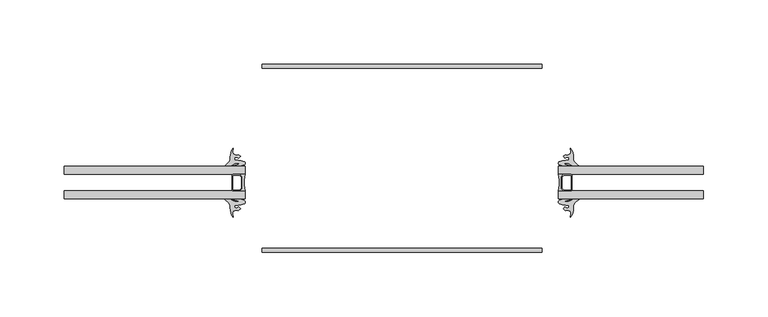
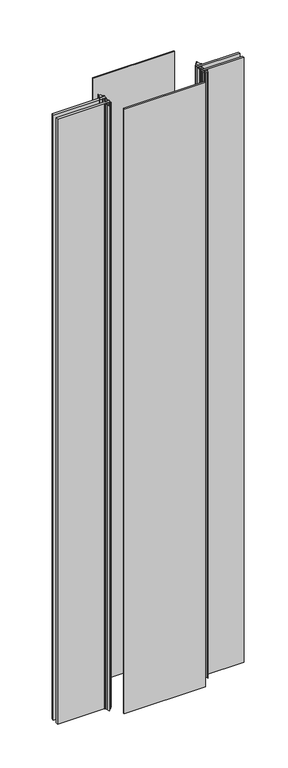
"""IFC4 building model written with IfcOpenShell, lengths in millimetres: plate geometry."""

from ifc_helpers import new_model, si_unit, point, frame_2d, origin, origin_with_axes, place, context, project, spatial, polyline, circle_curve, trimmed, segment, composite_curve, outline, extrude, source, transform, mapped, element, save


def plate_9c6e39cc(model_context):
    return source(origin(), model_context, "Body", "SweptSolid", [
        extrude(outline(polyline([(109.2049381, 101.9458133), (-109.2049381, 101.9458133), (-109.2049381, 105.1208133), (109.2049381, 105.1208133), (109.2049381, 101.9458133)])), origin_with_axes(), (0.0, 0.0, 1.0), 1710.2666667),
        extrude(outline(polyline([(109.2049381, -41.6149867), (-109.2049381, -41.6149867), (-109.2049381, -38.4399867), (109.2049381, -38.4399867), (109.2049381, -41.6149867)])), origin_with_axes(), (0.0, 0.0, 1.0), 1710.2666667),
        extrude(outline(composite_curve([segment(polyline([(131.7625, 6.35), (126.20625, 6.35), (124.61875, 7.9375), (124.61875, 17.4625), (126.20625, 19.05), (131.7625, 19.05)]), True, "CONTINUOUS"), segment(trimmed(circle_curve(frame_2d((131.7625, 18.25625)), 0.79375), [point((131.7625, 19.05))], [point((132.55625, 18.25625))], False, "CARTESIAN"), True, "CONTINUOUS"), segment(polyline([(132.55625, 18.25625), (132.55625, 7.14375)]), True, "CONTINUOUS"), segment(trimmed(circle_curve(frame_2d((131.7625, 7.14375)), 0.79375), [point((132.55625, 7.14375))], [point((131.7625, 6.35))], False, "CARTESIAN"), True, "CONTINUOUS")], self_intersect=False), holes=[polyline([(131.7625, 18.25625), (126.535032, 18.25625), (125.4125, 17.133718), (125.4125, 8.266282), (126.535032, 7.14375), (131.7625, 7.14375), (131.7625, 18.25625)])]), origin_with_axes(), (0.0, 0.0, 1.0), 1710.2666667),
        extrude(outline(composite_curve([segment(trimmed(circle_curve(frame_2d((97.234375, 12.7)), 25.796875), [point((122.2375, 6.35))], [point((122.2375, 19.05))], True, "CARTESIAN"), True, "CONTINUOUS"), segment(polyline([(122.2375, 19.05), (126.20625, 19.05), (124.61875, 17.4625), (124.61875, 7.9375), (126.20625, 6.35), (122.2375, 6.35)]), True, "CONTINUOUS")], self_intersect=False)), origin_with_axes(), (0.0, 0.0, 1.0), 1710.2666667),
        extrude(outline(composite_curve([segment(polyline([(-122.2375, 6.35), (-126.20625, 6.35), (-124.61875, 7.9375), (-124.61875, 17.4625), (-126.20625, 19.05), (-122.2375, 19.05)]), True, "CONTINUOUS"), segment(trimmed(circle_curve(frame_2d((-97.234375, 12.7)), 25.796875), [point((-122.2375, 19.05))], [point((-122.2375, 6.35))], True, "CARTESIAN"), True, "CONTINUOUS")], self_intersect=False)), origin_with_axes(), (0.0, 0.0, 1.0), 1710.2666667),
        extrude(outline(composite_curve([segment(trimmed(circle_curve(frame_2d((-131.7625, 7.14375)), 0.79375), [point((-131.7625, 6.35))], [point((-132.55625, 7.14375))], False, "CARTESIAN"), True, "CONTINUOUS"), segment(polyline([(-132.55625, 7.14375), (-132.55625, 18.25625)]), True, "CONTINUOUS"), segment(trimmed(circle_curve(frame_2d((-131.7625, 18.25625)), 0.79375), [point((-132.55625, 18.25625))], [point((-131.7625, 19.05))], False, "CARTESIAN"), True, "CONTINUOUS"), segment(polyline([(-131.7625, 19.05), (-126.20625, 19.05), (-124.61875, 17.4625), (-124.61875, 7.9375), (-126.20625, 6.35), (-131.7625, 6.35)]), True, "CONTINUOUS")], self_intersect=False), holes=[polyline([(-131.7625, 18.25625), (-131.7625, 7.14375), (-126.535032, 7.14375), (-125.4125, 8.266282), (-125.4125, 17.133718), (-126.535032, 18.25625), (-131.7625, 18.25625)])]), origin_with_axes(), (0.0, 0.0, 1.0), 1710.2666667),
        extrude(outline(polyline([(235.362229, 0.0), (122.2375, 0.0), (122.2375, 6.35), (235.362229, 6.35), (235.362229, 0.0)])), origin_with_axes(), (0.0, 0.0, 1.0), 1710.2666667),
        extrude(outline(polyline([(235.362229, 19.05), (122.2375, 19.05), (122.2375, 25.4), (235.362229, 25.4), (235.362229, 19.05)])), origin_with_axes(), (0.0, 0.0, 1.0), 1710.2666667),
        extrude(outline(polyline([(-263.5220845, 0.0), (-263.5220845, 6.35), (-122.2375, 6.35), (-122.2375, 0.0), (-263.5220845, 0.0)])), origin_with_axes(), (0.0, 0.0, 1.0), 1710.2666667),
        extrude(outline(polyline([(-263.5220845, 19.05), (-263.5220845, 25.4), (-122.2375, 25.4), (-122.2375, 19.05), (-263.5220845, 19.05)])), origin_with_axes(), (0.0, 0.0, 1.0), 1710.2666667),
        extrude(outline(composite_curve([segment(trimmed(circle_curve(frame_2d((123.5643814, -2.4247646)), 1.3941395), [point((123.0689272, -3.7278955))], [point((123.0689272, -1.1216337))], False, "CARTESIAN"), True, "CONTINUOUS"), segment(trimmed(circle_curve(frame_2d((129.6437303, -19.1604612)), 19.1996701), [point((123.0689272, -1.1216337))], [point((127.8597801, -0.0438492))], False, "CARTESIAN"), True, "CONTINUOUS"), segment(polyline([(127.8597801, -0.0438492), (131.2696189, -0.0438492)]), True, "CONTINUOUS"), segment(trimmed(circle_curve(frame_2d((131.258002, -0.3663344)), 0.3226944), [point((131.2696189, -0.0438492))], [point((131.3219792, -0.6826233))], False, "CARTESIAN"), True, "CONTINUOUS"), segment(polyline([(131.3219792, -0.6826233), (127.2255779, -1.7756258)]), True, "CONTINUOUS"), segment(trimmed(circle_curve(frame_2d((127.2638489, -2.046148)), 0.2732159), [point((127.2255779, -1.7756258))], [point((127.3021198, -2.3166702))], True, "CARTESIAN"), True, "CONTINUOUS"), segment(polyline([(127.3021198, -2.3166702), (130.3956877, -1.8790209)]), True, "CONTINUOUS"), segment(trimmed(circle_curve(frame_2d((127.2937975, 9.5589953)), 11.8511576), [point((130.3956877, -1.8790209))], [point((131.7135068, -1.4371907))], True, "CARTESIAN"), True, "CONTINUOUS"), segment(polyline([(131.7135068, -1.4371907), (133.2356216, -0.4592097)]), True, "CONTINUOUS"), segment(trimmed(circle_curve(frame_2d((134.4679253, -2.0666139)), 2.0254186), [point((133.2356216, -0.4592097))], [point((134.3642746, -0.0438492))], False, "CARTESIAN"), True, "CONTINUOUS"), segment(polyline([(134.3642746, -0.0438492), (137.6468927, -0.0037239)]), True, "CONTINUOUS"), segment(trimmed(circle_curve(frame_2d((137.6468927, -0.4005989)), 0.396875), [point((137.6468927, -0.0037239))], [point((137.9451228, -0.6624549))], False, "CARTESIAN"), True, "CONTINUOUS"), segment(polyline([(137.9451228, -0.6624549), (135.1272311, -3.0895597)]), True, "CONTINUOUS"), segment(trimmed(circle_curve(frame_2d((138.5890705, -6.3651424)), 4.765897), [point((135.1272311, -3.0895597))], [point((133.8643975, -6.990633))], True, "CARTESIAN"), True, "CONTINUOUS"), segment(trimmed(circle_curve(frame_2d((121.6738601, -7.3645635)), 12.196271), [point((133.8643975, -6.990633))], [point((131.7173454, -14.2839153))], False, "CARTESIAN"), True, "CONTINUOUS"), segment(polyline([(131.7173454, -14.2839153), (131.8382217, -11.2204206), (131.7144145, -9.6723757), (129.1104237, -8.8435897), (127.6287764, -9.2389232), (125.9573789, -7.8147218), (127.3192583, -6.2666768), (128.9287521, -7.1955038), (130.2906315, -6.6382077), (130.2906315, -4.7752), (127.8597801, -4.7752)]), True, "CONTINUOUS"), segment(trimmed(circle_curve(frame_2d((129.1673751, 12.6877766)), 17.5118633), [point((127.8597801, -4.7752))], [point((123.0689272, -3.7278955))], False, "CARTESIAN"), True, "CONTINUOUS")], self_intersect=False)), origin_with_axes(), (0.0, 0.0, 1.0), 1710.2666667),
        extrude(outline(composite_curve([segment(trimmed(circle_curve(frame_2d((129.1673751, 12.685353)), 17.5118633), [point((123.0689272, 29.1010251))], [point((127.8597801, 30.1483296))], False, "CARTESIAN"), True, "CONTINUOUS"), segment(polyline([(127.8597801, 30.1483296), (130.2906315, 30.1483296), (130.2906315, 32.0113373), (128.9287521, 32.5686335), (127.3192583, 31.6398065), (125.9573789, 33.1878514), (127.6287764, 34.6120528), (129.1104237, 34.2167194), (131.7144145, 35.0455053), (131.8382217, 36.5935503), (131.7173454, 39.657045)]), True, "CONTINUOUS"), segment(trimmed(circle_curve(frame_2d((121.6738601, 32.7376931)), 12.196271), [point((131.7173454, 39.657045))], [point((133.8643975, 32.3637626))], False, "CARTESIAN"), True, "CONTINUOUS"), segment(trimmed(circle_curve(frame_2d((138.5890705, 31.738272)), 4.765897), [point((133.8643975, 32.3637626))], [point((135.1272311, 28.4626894))], True, "CARTESIAN"), True, "CONTINUOUS"), segment(polyline([(135.1272311, 28.4626894), (137.9451228, 26.0355845)]), True, "CONTINUOUS"), segment(trimmed(circle_curve(frame_2d((137.6468927, 25.7737285)), 0.396875), [point((137.9451228, 26.0355845))], [point((137.6468927, 25.3768535))], False, "CARTESIAN"), True, "CONTINUOUS"), segment(polyline([(137.6468927, 25.3768535), (134.3642746, 25.4169788)]), True, "CONTINUOUS"), segment(trimmed(circle_curve(frame_2d((134.4679253, 27.4397435)), 2.0254186), [point((134.3642746, 25.4169788))], [point((133.2356216, 25.8323393))], False, "CARTESIAN"), True, "CONTINUOUS"), segment(polyline([(133.2356216, 25.8323393), (131.7135068, 26.8103203)]), True, "CONTINUOUS"), segment(trimmed(circle_curve(frame_2d((127.2937975, 15.8141343)), 11.8511576), [point((131.7135068, 26.8103203))], [point((130.3956877, 27.2521505))], True, "CARTESIAN"), True, "CONTINUOUS"), segment(polyline([(130.3956877, 27.2521505), (127.3021198, 27.6897999)]), True, "CONTINUOUS"), segment(trimmed(circle_curve(frame_2d((127.2638489, 27.4192777)), 0.2732159), [point((127.3021198, 27.6897999))], [point((127.2255779, 27.1487555))], True, "CARTESIAN"), True, "CONTINUOUS"), segment(polyline([(127.2255779, 27.1487555), (131.3219792, 26.0557529)]), True, "CONTINUOUS"), segment(trimmed(circle_curve(frame_2d((131.258002, 25.7394641)), 0.3226944), [point((131.3219792, 26.0557529))], [point((131.2696189, 25.4169788))], False, "CARTESIAN"), True, "CONTINUOUS"), segment(polyline([(131.2696189, 25.4169788), (127.8597801, 25.4169788)]), True, "CONTINUOUS"), segment(trimmed(circle_curve(frame_2d((129.6437303, 44.5335908)), 19.1996701), [point((127.8597801, 25.4169788))], [point((123.0689272, 26.4947633))], False, "CARTESIAN"), True, "CONTINUOUS"), segment(trimmed(circle_curve(frame_2d((123.5643814, 27.7978942)), 1.3941395), [point((123.0689272, 26.4947633))], [point((123.0689272, 29.1010251))], False, "CARTESIAN"), True, "CONTINUOUS")], self_intersect=False)), origin_with_axes(), (0.0, 0.0, 1.0), 1710.2666667),
        extrude(outline(composite_curve([segment(trimmed(circle_curve(frame_2d((-129.1673751, 12.6877766)), 17.5118633), [point((-123.0689272, -3.7278955))], [point((-127.8597801, -4.7752))], False, "CARTESIAN"), True, "CONTINUOUS"), segment(polyline([(-127.8597801, -4.7752), (-130.2906315, -4.7752), (-130.2906315, -6.6382077), (-128.9287521, -7.1955038), (-127.3192583, -6.2666768), (-125.9573789, -7.8147218), (-127.6287764, -9.2389232), (-129.1104237, -8.8435897), (-131.7144145, -9.6723757), (-131.8382217, -11.2204206), (-131.7173454, -14.2839153)]), True, "CONTINUOUS"), segment(trimmed(circle_curve(frame_2d((-121.6738601, -7.3645635)), 12.196271), [point((-131.7173454, -14.2839153))], [point((-133.8643975, -6.990633))], False, "CARTESIAN"), True, "CONTINUOUS"), segment(trimmed(circle_curve(frame_2d((-138.5890705, -6.3651424)), 4.765897), [point((-133.8643975, -6.990633))], [point((-135.1272311, -3.0895597))], True, "CARTESIAN"), True, "CONTINUOUS"), segment(polyline([(-135.1272311, -3.0895597), (-137.9451228, -0.6624549)]), True, "CONTINUOUS"), segment(trimmed(circle_curve(frame_2d((-137.6468927, -0.4005989)), 0.396875), [point((-137.9451228, -0.6624549))], [point((-137.6468927, -0.0037239))], False, "CARTESIAN"), True, "CONTINUOUS"), segment(polyline([(-137.6468927, -0.0037239), (-134.3642746, -0.0438492)]), True, "CONTINUOUS"), segment(trimmed(circle_curve(frame_2d((-134.4679253, -2.0666139)), 2.0254186), [point((-134.3642746, -0.0438492))], [point((-133.2356216, -0.4592097))], False, "CARTESIAN"), True, "CONTINUOUS"), segment(polyline([(-133.2356216, -0.4592097), (-131.7135068, -1.4371907)]), True, "CONTINUOUS"), segment(trimmed(circle_curve(frame_2d((-127.2937975, 9.5589953)), 11.8511576), [point((-131.7135068, -1.4371907))], [point((-130.3956877, -1.8790209))], True, "CARTESIAN"), True, "CONTINUOUS"), segment(polyline([(-130.3956877, -1.8790209), (-127.3021198, -2.3166702)]), True, "CONTINUOUS"), segment(trimmed(circle_curve(frame_2d((-127.2638489, -2.046148)), 0.2732159), [point((-127.3021198, -2.3166702))], [point((-127.2255779, -1.7756258))], True, "CARTESIAN"), True, "CONTINUOUS"), segment(polyline([(-127.2255779, -1.7756258), (-131.3219792, -0.6826233)]), True, "CONTINUOUS"), segment(trimmed(circle_curve(frame_2d((-131.258002, -0.3663344)), 0.3226944), [point((-131.3219792, -0.6826233))], [point((-131.2696189, -0.0438492))], False, "CARTESIAN"), True, "CONTINUOUS"), segment(polyline([(-131.2696189, -0.0438492), (-127.8597801, -0.0438492)]), True, "CONTINUOUS"), segment(trimmed(circle_curve(frame_2d((-129.6437303, -19.1604612)), 19.1996701), [point((-127.8597801, -0.0438492))], [point((-123.0689272, -1.1216337))], False, "CARTESIAN"), True, "CONTINUOUS"), segment(trimmed(circle_curve(frame_2d((-123.5643814, -2.4247646)), 1.3941395), [point((-123.0689272, -1.1216337))], [point((-123.0689272, -3.7278955))], False, "CARTESIAN"), True, "CONTINUOUS")], self_intersect=False)), origin_with_axes(), (0.0, 0.0, 1.0), 1710.2666667),
        extrude(outline(composite_curve([segment(trimmed(circle_curve(frame_2d((-123.5643814, 27.7978942)), 1.3941395), [point((-123.0689272, 29.1010251))], [point((-123.0689272, 26.4947633))], False, "CARTESIAN"), True, "CONTINUOUS"), segment(trimmed(circle_curve(frame_2d((-129.6437303, 44.5335908)), 19.1996701), [point((-123.0689272, 26.4947633))], [point((-127.8597801, 25.4169788))], False, "CARTESIAN"), True, "CONTINUOUS"), segment(polyline([(-127.8597801, 25.4169788), (-131.2696189, 25.4169788)]), True, "CONTINUOUS"), segment(trimmed(circle_curve(frame_2d((-131.258002, 25.7394641)), 0.3226944), [point((-131.2696189, 25.4169788))], [point((-131.3219792, 26.0557529))], False, "CARTESIAN"), True, "CONTINUOUS"), segment(polyline([(-131.3219792, 26.0557529), (-127.2255779, 27.1487555)]), True, "CONTINUOUS"), segment(trimmed(circle_curve(frame_2d((-127.2638489, 27.4192777)), 0.2732159), [point((-127.2255779, 27.1487555))], [point((-127.3021198, 27.6897999))], True, "CARTESIAN"), True, "CONTINUOUS"), segment(polyline([(-127.3021198, 27.6897999), (-130.3956877, 27.2521505)]), True, "CONTINUOUS"), segment(trimmed(circle_curve(frame_2d((-127.2937975, 15.8141343)), 11.8511576), [point((-130.3956877, 27.2521505))], [point((-131.7135068, 26.8103203))], True, "CARTESIAN"), True, "CONTINUOUS"), segment(polyline([(-131.7135068, 26.8103203), (-133.2356216, 25.8323393)]), True, "CONTINUOUS"), segment(trimmed(circle_curve(frame_2d((-134.4679253, 27.4397435)), 2.0254186), [point((-133.2356216, 25.8323393))], [point((-134.3642746, 25.4169788))], False, "CARTESIAN"), True, "CONTINUOUS"), segment(polyline([(-134.3642746, 25.4169788), (-137.6468927, 25.3768535)]), True, "CONTINUOUS"), segment(trimmed(circle_curve(frame_2d((-137.6468927, 25.7737285)), 0.396875), [point((-137.6468927, 25.3768535))], [point((-137.9451228, 26.0355845))], False, "CARTESIAN"), True, "CONTINUOUS"), segment(polyline([(-137.9451228, 26.0355845), (-135.1272311, 28.4626894)]), True, "CONTINUOUS"), segment(trimmed(circle_curve(frame_2d((-138.5890705, 31.738272)), 4.765897), [point((-135.1272311, 28.4626894))], [point((-133.8643975, 32.3637626))], True, "CARTESIAN"), True, "CONTINUOUS"), segment(trimmed(circle_curve(frame_2d((-121.6738601, 32.7376931)), 12.196271), [point((-133.8643975, 32.3637626))], [point((-131.7173454, 39.657045))], False, "CARTESIAN"), True, "CONTINUOUS"), segment(polyline([(-131.7173454, 39.657045), (-131.8382217, 36.5935503), (-131.7144145, 35.0455053), (-129.1104237, 34.2167194), (-127.6287764, 34.6120528), (-125.9573789, 33.1878514), (-127.3192583, 31.6398065), (-128.9287521, 32.5686335), (-130.2906315, 32.0113373), (-130.2906315, 30.1483296), (-127.8597801, 30.1483296)]), True, "CONTINUOUS"), segment(trimmed(circle_curve(frame_2d((-129.1673751, 12.685353)), 17.5118633), [point((-127.8597801, 30.1483296))], [point((-123.0689272, 29.1010251))], False, "CARTESIAN"), True, "CONTINUOUS")], self_intersect=False)), origin_with_axes(), (0.0, 0.0, 1.0), 1710.2666667),
    ])


if __name__ == "__main__":
    model = new_model("IFC4")
    model_context = context("Model", 3, world=origin())
    ifc_project = project(units=[si_unit("LENGTHUNIT", "METRE", prefix="MILLI")], contexts=[model_context])
    site = spatial("IfcSite", under=ifc_project)
    building = spatial("IfcBuilding", under=site)
    placement = place(None, origin())
    plate_shape = plate_9c6e39cc(model_context)
    element("IfcPlate", 1, at=placement, inside=building, context=model_context, shape_type="MappedRepresentation", body=[
        mapped(plate_shape, transform((0.0, 0.0, 0.0), x_axis=(1.0, 0.0, 0.0), y_axis=(0.0, 1.0, 0.0), z_axis=(0.0, 0.0, 1.0))),
    ])
    save(model, "model.ifc")
